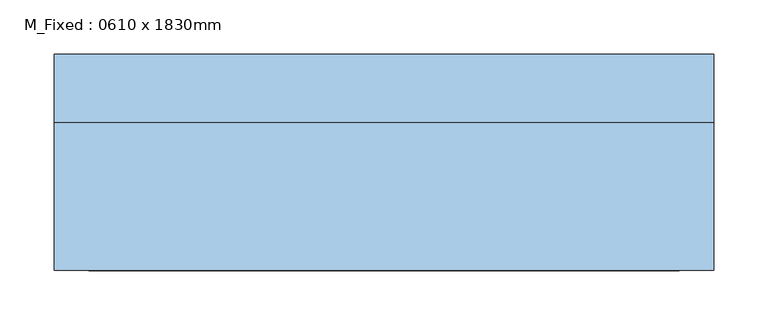
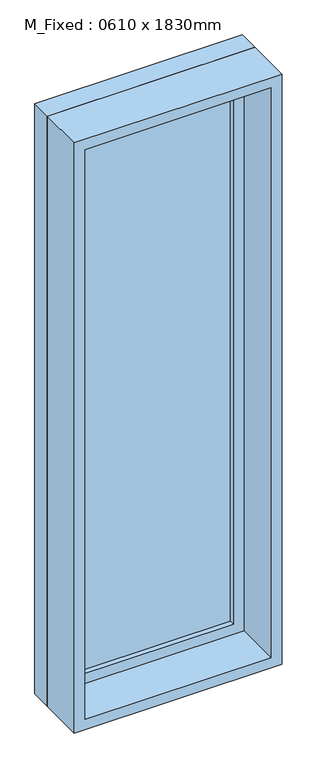
"""IFC4 building model written with IfcOpenShell, lengths in millimetres: window geometry, M_Fixed : 0610 x 1830mm."""

from ifc_helpers import new_model, si_unit, frame, origin, place, context, project, spatial, polyline, outline, extrude, source, transform, mapped, element, save


def m_fixed_0610_x_1830mm_76c3fe07(model_context):
    return source(origin(), model_context, "Body", "SweptSolid", [
        extrude(outline(polyline([(-242.0, 78.0), (242.0, 78.0), (242.0, 66.0), (-242.0, 66.0), (-242.0, 78.0)])), frame((0.0, 0.0, 368.0), z_axis=(0.0, 0.0, 1.0), x_axis=(1.0, 0.0, 0.0)), (0.0, 0.0, 1.0), 1704.0),
        extrude(outline(polyline([(2116.0, -286.0), (324.0, -286.0), (324.0, 286.0), (2116.0, 286.0), (2116.0, -286.0)]), holes=[polyline([(2072.0, -242.0), (2072.0, 242.0), (368.0, 242.0), (368.0, -242.0), (2072.0, -242.0)])]), frame((0.0, 50.0, 0.0), z_axis=(0.0, 1.0, 0.0), x_axis=(0.0, 0.0, 1.0)), (0.0, 0.0, 1.0), 44.0),
        extrude(outline(polyline([(2135.0, -305.0), (305.0, -305.0), (305.0, 305.0), (2135.0, 305.0), (2135.0, -305.0)]), holes=[polyline([(2116.0, -286.0), (2116.0, 286.0), (324.0, 286.0), (324.0, -286.0), (2116.0, -286.0)])]), frame((0.0, 50.0, 0.0), z_axis=(0.0, 1.0, 0.0), x_axis=(0.0, 0.0, 1.0)), (0.0, 0.0, 1.0), 63.0),
        extrude(outline(polyline([(2135.0, -305.0), (305.0, -305.0), (305.0, 305.0), (2135.0, 305.0), (2135.0, -305.0)]), holes=[polyline([(2103.0, -273.0), (2103.0, 273.0), (337.0, 273.0), (337.0, -273.0), (2103.0, -273.0)])]), frame((0.0, -87.0, 0.0), z_axis=(0.0, 1.0, 0.0), x_axis=(0.0, 0.0, 1.0)), (0.0, 0.0, 1.0), 137.0),
    ])


if __name__ == "__main__":
    model = new_model("IFC4")
    model_context = context("Model", 3, world=origin())
    ifc_project = project(units=[si_unit("LENGTHUNIT", "METRE", prefix="MILLI")], contexts=[model_context])
    site = spatial("IfcSite", under=ifc_project)
    building = spatial("IfcBuilding", under=site)
    placement = place(None, origin())
    m_fixed_0610_x_1830mm_shape = m_fixed_0610_x_1830mm_76c3fe07(model_context)
    element("IfcWindow", 1, ObjectType="M_Fixed : 0610 x 1830mm", at=placement, inside=building, context=model_context, shape_type="MappedRepresentation", body=[
        mapped(m_fixed_0610_x_1830mm_shape, transform((0.0, 0.0, 0.0), x_axis=(1.0, 0.0, 0.0), y_axis=(0.0, 1.0, 0.0), z_axis=(0.0, 0.0, 1.0))),
    ])
    save(model, "model.ifc")
